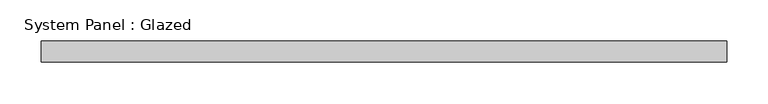
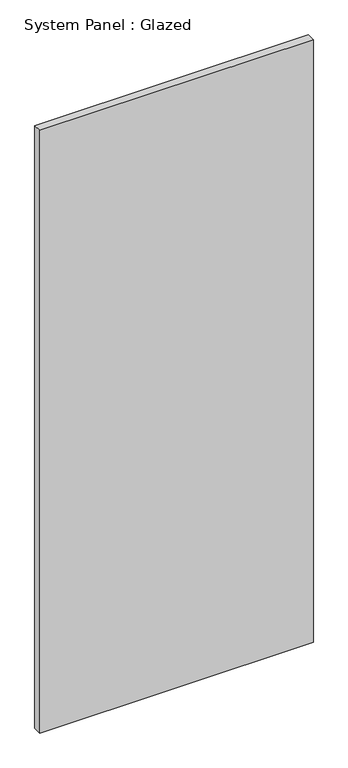
"""IFC4 building model written with IfcOpenShell, lengths in millimetres: plate geometry, System Panel : Glazed."""

from ifc_helpers import new_model, si_unit, origin, origin_with_axes, place, context, project, spatial, polyline, outline, extrude, source, transform, mapped, element, save


def system_panel_glazed_5dc3dcb8(model_context):
    return source(origin(), model_context, "Body", "SweptSolid", [
        extrude(outline(polyline([(413.3351528, 19.05), (-413.3351528, 19.05), (-413.3351528, 44.45), (413.3351528, 44.45), (413.3351528, 19.05)])), origin_with_axes(), (0.0, 0.0, 1.0), 1924.05),
    ])


if __name__ == "__main__":
    model = new_model("IFC4")
    model_context = context("Model", 3, world=origin())
    ifc_project = project(units=[si_unit("LENGTHUNIT", "METRE", prefix="MILLI")], contexts=[model_context])
    site = spatial("IfcSite", under=ifc_project)
    building = spatial("IfcBuilding", under=site)
    placement = place(None, origin())
    system_panel_glazed_shape = system_panel_glazed_5dc3dcb8(model_context)
    element("IfcPlate", 1, ObjectType="System Panel : Glazed", at=placement, inside=building, context=model_context, shape_type="MappedRepresentation", body=[
        mapped(system_panel_glazed_shape, transform((0.0, 0.0, 0.0), x_axis=(1.0, 0.0, 0.0), y_axis=(0.0, 1.0, 0.0), z_axis=(0.0, 0.0, 1.0))),
    ])
    save(model, "model.ifc")
